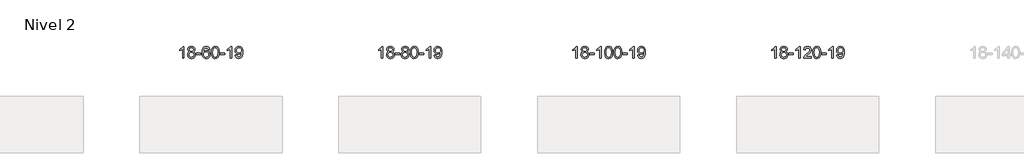
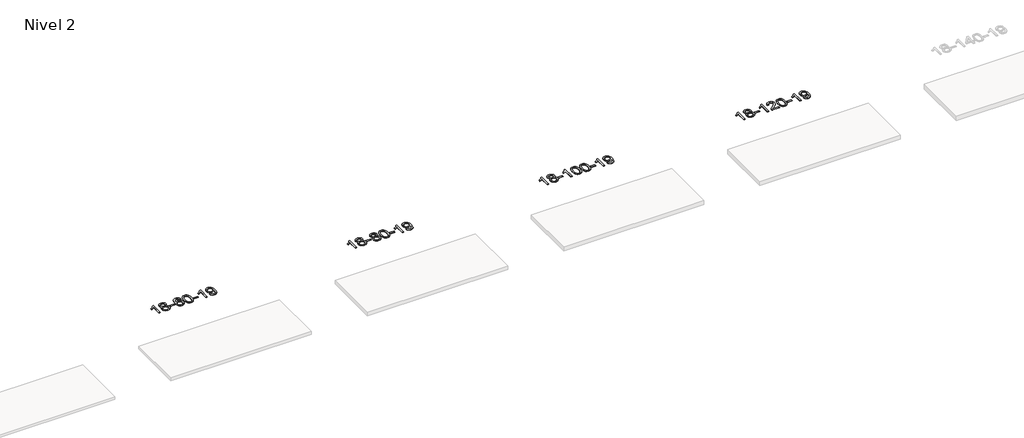
# One storey, part 45 of 51: 4 proxies.
"""IFC4 building model written with IfcOpenShell, lengths in millimetres."""

from ifc_helpers import new_model, si_unit, frame, origin, place, context, project, spatial, polyline, outline, extrude, element, save

model = new_model("IFC4")

# Units and contexts
model_context = context("Model", 3, world=origin())
ifc_project = project(units=[si_unit("LENGTHUNIT", "METRE", prefix="MILLI")], contexts=[model_context])

# Site, building, storey
site = spatial("IfcSite", under=ifc_project)
building = spatial("IfcBuilding", under=site)
storey = spatial("IfcBuildingStorey", under=building, Name="Nivel 2", Elevation=3000.0)

# Proxies
placement = place(None, origin())
element("IfcBuildingElementProxy", 1, Name="Texto de modelo 1", ObjectType="Texto de modelo 1", at=placement, inside=storey, context=model_context, shape_type="SweptSolid", body=[
    extrude(outline(polyline([(4824.6154698, -16247.1632381), (4774.3873148, -16247.1632381), (4774.3873148, -15934.0220838), (4753.418041, -15950.9814438), (4726.80791, -15967.9162783), (4673.9310046, -15993.2756105), (4673.9310046, -15945.7943077), (4713.3802172, -15924.3345246), (4747.5564546, -15898.8035142), (4774.4976794, -15871.6538229), (4792.2418543, -15845.3379975), (4824.6154698, -15845.3379975), (4824.6154698, -16247.1632381)])), frame((0.0, 0.0, 3000.0), z_axis=(0.0, 0.0, 1.0), x_axis=(1.0, 0.0, 0.0)), (0.0, 0.0, 1.0), 10.0),
    extrude(outline(polyline([(5017.0913297, -16025.8454298), (4990.1991559, -16012.601678), (4971.3268095, -15994.6490366), (4960.1799851, -15972.3553877), (4956.4643769, -15946.0886133), (4958.4877279, -15925.6037175), (4964.5577808, -15906.8233417), (4974.6745357, -15889.7474857), (4988.8379925, -15874.3761497), (5006.3675695, -15861.6719581), (5026.5826852, -15852.5975356), (5049.4833394, -15847.152882), (5075.0695321, -15845.3379975), (5100.7783522, -15847.1958016), (5123.8506847, -15852.7692138), (5144.2865295, -15862.0582342), (5162.0858867, -15875.0628627), (5176.506861, -15890.7346357), (5186.8075568, -15908.0250895), (5192.9879743, -15926.9342241), (5195.0481135, -15947.4620394), (5191.3815563, -15972.8826853), (5180.3818846, -15994.7961894), (5161.9264712, -16012.6384662), (5135.8926887, -16025.8454298), (5166.807039, -16041.7747202), (5189.3091544, -16065.2333288), (5203.0311528, -16095.0930841), (5207.6051523, -16130.2258146), (5205.3365466, -16155.2785785), (5198.5307297, -16178.2466777), (5187.1877015, -16199.1301123), (5171.3074621, -16217.9288823), (5151.7238772, -16233.4657652), (5129.2708128, -16244.5635387), (5103.9482688, -16251.2222028), (5075.7562452, -16253.4417575), (5047.5642216, -16251.2130058), (5022.2416776, -16244.5267505), (4999.7886132, -16233.3829917), (4980.2050283, -16217.7817295), (4964.3247889, -16198.8511351), (4952.9817607, -16177.7193802), (4946.1759438, -16154.3864646), (4943.9073381, -16128.8523885), (4948.6652786, -16092.3584946), (4962.9391, -16062.3393238), (4985.9930384, -16039.8249457), (5017.0913297, -16025.8454298)]), holes=[polyline([(5006.692532, -15947.5601413), (5011.1439041, -15969.4859082), (5024.4980205, -15986.9970911), (5046.3624738, -15998.4750094), (5076.3448564, -16002.3009821), (5105.6282632, -15998.4995349), (5127.1616227, -15987.095193), (5140.4053745, -15970.1726212), (5144.8199584, -15949.8164842), (5140.2582217, -15928.6877949), (5126.5730115, -15911.2134001), (5104.7453464, -15899.4779645), (5075.7562452, -15895.5661526), (5046.583203, -15899.3921254), (5024.7923261, -15910.8700436), (5011.2174805, -15927.6945135), (5006.692532, -15947.5601413)]), polyline([(4994.1354932, -16127.0865549), (4996.2324206, -16146.3022578), (5002.5232027, -16164.904824), (5014.136011, -16181.12842), (5032.199017, -16193.2072122), (5053.8304783, -16200.7120049), (5076.1486527, -16203.2136024), (5110.3371528, -16197.9528899), (5124.2308294, -16191.3769993), (5135.9907905, -16182.1707523), (5152.0304455, -16158.2706854), (5157.3769972, -16128.6561848), (5151.8587673, -16098.5389121), (5135.3040775, -16074.1115476), (5123.2252853, -16064.6692431), (5109.0618285, -16057.9247398), (5074.480921, -16052.5291372), (5040.7706675, -16057.8511634), (5027.0333406, -16064.5036962), (5015.3745471, -16073.817242), (4999.4452567, -16097.7786226), (4994.1354932, -16127.0865549)])]), frame((0.0, 0.0, 3000.0), z_axis=(0.0, 0.0, 1.0), x_axis=(1.0, 0.0, 0.0)), (0.0, 0.0, 1.0), 10.0),
    extrude(outline(polyline([(5238.9977492, -16127.8713698), (5238.9977492, -16077.6432148), (5395.9607338, -16077.6432148), (5395.9607338, -16127.8713698), (5238.9977492, -16127.8713698)])), frame((0.0, 0.0, 3000.0), z_axis=(0.0, 0.0, 1.0), x_axis=(1.0, 0.0, 0.0)), (0.0, 0.0, 1.0), 10.0),
    extrude(outline(polyline([(5697.3296643, -15952.0728271), (5647.1015092, -15958.3513465), (5639.0081053, -15933.4579981), (5628.0697473, -15916.4618499), (5605.2855891, -15900.7900769), (5577.7434904, -15895.5661526), (5554.3952464, -15898.6073104), (5532.4204286, -15907.7307839), (5513.5480822, -15926.9464868), (5498.1338266, -15953.3972023), (5487.7227661, -15990.8108012), (5483.8600052, -16042.9151544), (5504.0076758, -16019.4074949), (5528.1529974, -16002.8405424), (5554.9470694, -15993.0180931), (5583.0409911, -15989.7439434), (5607.17405, -15991.9818922), (5629.4431734, -15998.6957386), (5649.8483614, -16009.8854826), (5668.389614, -16025.5511242), (5683.7977382, -16044.7606958), (5694.8035412, -16066.5822294), (5701.407023, -16091.0157253), (5703.6081836, -16118.0611833), (5699.4633798, -16154.0277797), (5687.0289684, -16187.3701512), (5667.3350189, -16215.6480139), (5641.411601, -16236.4210839), (5610.435937, -16249.1865891), (5575.5852493, -16253.4417575), (5545.6427206, -16250.6213289), (5518.6003283, -16242.160043), (5494.4580723, -16228.0578999), (5473.2159528, -16208.3148994), (5455.8979079, -16182.0971759), (5443.5278758, -16148.5708634), (5436.1058565, -16107.735962), (5433.6318501, -16059.5924715), (5436.3787023, -16005.6180515), (5444.619259, -15959.5530943), (5458.3535202, -15921.3976), (5477.5814858, -15891.1515687), (5498.4220008, -15871.1081313), (5522.5857165, -15856.7913903), (5550.072633, -15848.2013457), (5580.88275, -15845.3379975), (5604.0163962, -15847.1099625), (5624.9550131, -15852.4258573), (5643.6986007, -15861.285682), (5660.2471591, -15873.6894366), (5674.1530986, -15889.2201882), (5684.9688292, -15907.4610038), (5692.6943511, -15928.4118834), (5697.3296643, -15952.0728271)]), holes=[polyline([(5483.8600052, -16117.2763684), (5486.7662729, -16139.5332291), (5495.4850762, -16160.7845457), (5509.0231337, -16179.0560181), (5526.3871638, -16192.3733463), (5547.3441748, -16200.5035384), (5571.6611747, -16203.2136024), (5604.8073425, -16197.5972707), (5618.7224789, -16190.5768559), (5630.8656505, -16180.7482753), (5640.7156909, -16168.5100676), (5647.751434, -16154.2607716), (5653.3800286, -16119.728915), (5647.8250104, -16086.5827472), (5640.8812378, -16072.9619164), (5631.1599561, -16061.3092542), (5618.9799963, -16051.9742485), (5604.6601897, -16045.3063874), (5569.6010355, -16039.9720985), (5536.5039187, -16045.3063874), (5508.8269299, -16061.3092542), (5497.9039004, -16072.8086322), (5490.1017364, -16085.9696106), (5485.420438, -16100.7921893), (5483.8600052, -16117.2763684)])]), frame((0.0, 0.0, 3000.0), z_axis=(0.0, 0.0, 1.0), x_axis=(1.0, 0.0, 0.0)), (0.0, 0.0, 1.0), 10.0),
    extrude(outline(polyline([(5747.5578193, -16049.4879794), (5751.248902, -15985.1699439), (5762.3221501, -15933.874931), (5780.6671989, -15894.8181259), (5792.5252619, -15879.5847456), (5806.1736839, -15867.2147135), (5821.6584502, -15857.6436503), (5839.0255461, -15850.8071765), (5879.4067264, -15845.3379975), (5910.3578649, -15848.5753591), (5938.0716419, -15858.2874438), (5961.2482076, -15874.0941068), (5978.5877123, -15895.6152035), (5991.6843113, -15922.6667929), (6002.13216, -15955.064934), (6008.9747651, -15996.2064038), (6011.2556335, -16049.4879794), (6007.601339, -16113.4381329), (5996.6384555, -16164.6105184), (5978.4037713, -16203.7041118), (5966.5732995, -16218.9834773), (5952.9340745, -16231.4178887), (5937.4309141, -16241.0533313), (5920.0086359, -16247.9357903), (5879.4067264, -16253.4417575), (5851.7420004, -16251.0505246), (5827.216534, -16243.8768256), (5805.8303274, -16231.9206608), (5787.5833804, -16215.18203), (5770.0721974, -16184.9237359), (5757.5642096, -16147.2219628), (5750.0594169, -16102.0767106), (5747.5578193, -16049.4879794)]), holes=[polyline([(5797.7859744, -16049.3898775), (5799.2575024, -16093.0544047), (5803.6720863, -16128.3986674), (5811.0297262, -16155.4226656), (5821.3304221, -16174.1263994), (5833.789359, -16186.8520507), (5847.621722, -16195.9418017), (5862.8275112, -16201.3956523), (5879.4067264, -16203.2136024), (5895.9859417, -16201.3895209), (5911.1917308, -16195.9172762), (5925.0240938, -16186.7968684), (5937.4830307, -16174.0282975), (5947.7837266, -16155.2939069), (5955.1413665, -16128.27604), (5959.5559504, -16092.9746969), (5961.0274784, -16049.3898775), (5959.6050014, -16006.881113), (5955.3375702, -15972.159184), (5948.225185, -15945.2240906), (5938.2678456, -15926.0758327), (5926.0173752, -15912.7278477), (5912.0255966, -15903.1935726), (5896.29251, -15897.4730076), (5878.8181152, -15895.5661526), (5862.3247391, -15897.2461471), (5847.3764674, -15902.2861304), (5833.9733, -15910.6861026), (5822.115237, -15922.4460637), (5811.4711846, -15943.2927101), (5803.8682901, -15971.3988946), (5799.3065533, -16006.764617), (5797.7859744, -16049.3898775)])]), frame((0.0, 0.0, 3000.0), z_axis=(0.0, 0.0, 1.0), x_axis=(1.0, 0.0, 0.0)), (0.0, 0.0, 1.0), 10.0),
    extrude(outline(polyline([(6042.6482304, -16127.8713698), (6042.6482304, -16077.6432148), (6199.611215, -16077.6432148), (6199.611215, -16127.8713698), (6042.6482304, -16127.8713698)])), frame((0.0, 0.0, 3000.0), z_axis=(0.0, 0.0, 1.0), x_axis=(1.0, 0.0, 0.0)), (0.0, 0.0, 1.0), 10.0),
    extrude(outline(polyline([(6431.9164322, -16247.1632381), (6381.6882771, -16247.1632381), (6381.6882771, -15934.0220838), (6360.7190034, -15950.9814438), (6334.1088724, -15967.9162783), (6281.231967, -15993.2756105), (6281.231967, -15945.7943077), (6320.6811796, -15924.3345246), (6354.857417, -15898.8035142), (6381.7986417, -15871.6538229), (6399.5428166, -15845.3379975), (6431.9164322, -15845.3379975), (6431.9164322, -16247.1632381)])), frame((0.0, 0.0, 3000.0), z_axis=(0.0, 0.0, 1.0), x_axis=(1.0, 0.0, 0.0)), (0.0, 0.0, 1.0), 10.0),
    extrude(outline(polyline([(6557.4868199, -16146.706928), (6607.714975, -16140.4284086), (6616.2988882, -16168.9392632), (6630.278404, -16188.3511698), (6649.3101659, -16199.4979943), (6673.0508173, -16203.2136024), (6694.3511849, -16200.8223695), (6713.7140405, -16193.6486706), (6729.8027465, -16182.4773207), (6741.2806647, -16168.0931346), (6757.7127272, -16124.4378045), (6763.1573807, -16096.0373145), (6764.9722652, -16066.1652965), (6764.6779596, -16056.35511), (6747.2771412, -16077.5941638), (6724.5052457, -16094.4186337), (6698.0054793, -16105.3815172), (6669.4210483, -16109.0358117), (6645.5608352, -16106.8039942), (6623.6197399, -16100.1085419), (6603.5977623, -16088.9494547), (6585.4949025, -16073.3267327), (6570.4945141, -16054.0558475), (6559.779951, -16031.952271), (6553.3512131, -16007.0160031), (6551.2083005, -15979.2470438), (6553.4554464, -15950.5522482), (6560.1968839, -15924.8005085), (6571.4326132, -15901.9918248), (6587.1626342, -15882.1261971), (6606.2771695, -15866.0313598), (6627.6664419, -15854.5350474), (6651.3304512, -15847.63726), (6677.2691975, -15845.3379975), (6714.7318474, -15850.5864473), (6748.8345083, -15866.3317967), (6777.3576257, -15891.7892308), (6798.0816448, -15926.1739346), (6810.6999972, -15973.7042884), (6814.9061147, -16038.5986723), (6810.7122599, -16107.4048682), (6798.1306957, -16160.5883419), (6777.2717866, -16200.5525893), (6763.7797144, -16216.4788141), (6748.2458971, -16229.7011061), (6730.9830345, -16240.0876411), (6712.3038262, -16247.5065947), (6670.6963726, -16253.4417575), (6648.1390749, -16251.6912524), (6627.752281, -16246.4397369), (6609.5359909, -16237.6872111), (6593.4902045, -16225.433675), (6580.0195921, -16210.0102223), (6569.5288239, -16191.7479469), (6562.0178998, -16170.6468488), (6557.4868199, -16146.706928)]), holes=[polyline([(6764.6779596, -15978.0698214), (6759.2578315, -15944.0284741), (6752.4826715, -15929.9508564), (6742.9974473, -15917.8352761), (6731.2681431, -15908.0925345), (6717.7607425, -15901.1334335), (6685.4116524, -15895.5661526), (6667.8023675, -15897.0652717), (6651.8608144, -15901.5626291), (6637.586993, -15909.0582248), (6624.9809033, -15919.5520587), (6614.6802074, -15932.4309942), (6607.3225675, -15947.0818947), (6602.9079836, -15963.5047601), (6601.4364556, -15981.6995904), (6607.0037365, -16012.7365681), (6613.9628375, -16025.8546269), (6623.705579, -16037.372399), (6635.8272908, -16046.7503242), (6649.9233026, -16053.4488422), (6684.0382263, -16058.8076566), (6716.129799, -16053.4488422), (6741.9673778, -16037.372399), (6751.9032573, -16025.6277663), (6759.0003141, -16011.8291258), (6764.6779596, -15978.0698214)])]), frame((0.0, 0.0, 3000.0), z_axis=(0.0, 0.0, 1.0), x_axis=(1.0, 0.0, 0.0)), (0.0, 0.0, 1.0), 10.0),
])
element("IfcBuildingElementProxy", 2, Name="Texto de modelo 1", ObjectType="Texto de modelo 1", at=placement, inside=storey, context=model_context, shape_type="SweptSolid", body=[
    extrude(outline(polyline([(11539.5560047, -16247.1632381), (11489.3278496, -16247.1632381), (11489.3278496, -15934.0220838), (11468.3585759, -15950.9814438), (11441.7484449, -15967.9162783), (11388.8715394, -15993.2756105), (11388.8715394, -15945.7943077), (11428.320752, -15924.3345246), (11462.4969894, -15898.8035142), (11489.4382142, -15871.6538229), (11507.1823891, -15845.3379975), (11539.5560047, -15845.3379975), (11539.5560047, -16247.1632381)])), frame((0.0, 0.0, 3000.0), z_axis=(0.0, 0.0, 1.0), x_axis=(1.0, 0.0, 0.0)), (0.0, 0.0, 1.0), 10.0),
    extrude(outline(polyline([(11732.0318645, -16025.8454298), (11705.1396907, -16012.601678), (11686.2673443, -15994.6490366), (11675.1205199, -15972.3553877), (11671.4049117, -15946.0886133), (11673.4282627, -15925.6037175), (11679.4983156, -15906.8233417), (11689.6150705, -15889.7474857), (11703.7785273, -15874.3761497), (11721.3081044, -15861.6719581), (11741.52322, -15852.5975356), (11764.4238742, -15847.152882), (11790.010067, -15845.3379975), (11815.7188871, -15847.1958016), (11838.7912195, -15852.7692138), (11859.2270644, -15862.0582342), (11877.0264216, -15875.0628627), (11891.4473958, -15890.7346357), (11901.7480916, -15908.0250895), (11907.9285092, -15926.9342241), (11909.9886483, -15947.4620394), (11906.3220911, -15972.8826853), (11895.3224195, -15994.7961894), (11876.867006, -16012.6384662), (11850.8332235, -16025.8454298), (11881.7475738, -16041.7747202), (11904.2496892, -16065.2333288), (11917.9716876, -16095.0930841), (11922.5456871, -16130.2258146), (11920.2770815, -16155.2785785), (11913.4712646, -16178.2466777), (11902.1282364, -16199.1301123), (11886.2479969, -16217.9288823), (11866.664412, -16233.4657652), (11844.2113476, -16244.5635387), (11818.8888036, -16251.2222028), (11790.69678, -16253.4417575), (11762.5047565, -16251.2130058), (11737.1822125, -16244.5267505), (11714.729148, -16233.3829917), (11695.1455631, -16217.7817295), (11679.2653237, -16198.8511351), (11667.9222955, -16177.7193802), (11661.1164786, -16154.3864646), (11658.847873, -16128.8523885), (11663.6058134, -16092.3584946), (11677.8796348, -16062.3393238), (11700.9335732, -16039.8249457), (11732.0318645, -16025.8454298)]), holes=[polyline([(11721.6330668, -15947.5601413), (11726.0844389, -15969.4859082), (11739.4385554, -15986.9970911), (11761.3030086, -15998.4750094), (11791.2853912, -16002.3009821), (11820.568798, -15998.4995349), (11842.1021575, -15987.095193), (11855.3459093, -15970.1726212), (11859.7604933, -15949.8164842), (11855.1987565, -15928.6877949), (11841.5135463, -15911.2134001), (11819.6858812, -15899.4779645), (11790.69678, -15895.5661526), (11761.5237378, -15899.3921254), (11739.732861, -15910.8700436), (11726.1580153, -15927.6945135), (11721.6330668, -15947.5601413)]), polyline([(11709.076028, -16127.0865549), (11711.1729554, -16146.3022578), (11717.4637375, -16164.904824), (11729.0765458, -16181.12842), (11747.1395518, -16193.2072122), (11768.7710131, -16200.7120049), (11791.0891875, -16203.2136024), (11825.2776876, -16197.9528899), (11839.1713643, -16191.3769993), (11850.9313254, -16182.1707523), (11866.9709804, -16158.2706854), (11872.317532, -16128.6561848), (11866.7993021, -16098.5389121), (11850.2446123, -16074.1115476), (11838.1658201, -16064.6692431), (11824.0023633, -16057.9247398), (11789.4214558, -16052.5291372), (11755.7112023, -16057.8511634), (11741.9738755, -16064.5036962), (11730.3150819, -16073.817242), (11714.3857915, -16097.7786226), (11709.076028, -16127.0865549)])]), frame((0.0, 0.0, 3000.0), z_axis=(0.0, 0.0, 1.0), x_axis=(1.0, 0.0, 0.0)), (0.0, 0.0, 1.0), 10.0),
    extrude(outline(polyline([(11953.938284, -16127.8713698), (11953.938284, -16077.6432148), (12110.9012686, -16077.6432148), (12110.9012686, -16127.8713698), (11953.938284, -16127.8713698)])), frame((0.0, 0.0, 3000.0), z_axis=(0.0, 0.0, 1.0), x_axis=(1.0, 0.0, 0.0)), (0.0, 0.0, 1.0), 10.0),
    extrude(outline(polyline([(12228.0348959, -16025.8454298), (12201.142722, -16012.601678), (12182.2703757, -15994.6490366), (12171.1235512, -15972.3553877), (12167.4079431, -15946.0886133), (12169.4312941, -15925.6037175), (12175.501347, -15906.8233417), (12185.6181019, -15889.7474857), (12199.7815587, -15874.3761497), (12217.3111357, -15861.6719581), (12237.5262514, -15852.5975356), (12260.4269056, -15847.152882), (12286.0130983, -15845.3379975), (12311.7219184, -15847.1958016), (12334.7942509, -15852.7692138), (12355.2300957, -15862.0582342), (12373.0294529, -15875.0628627), (12387.4504271, -15890.7346357), (12397.751123, -15908.0250895), (12403.9315405, -15926.9342241), (12405.9916797, -15947.4620394), (12402.3251225, -15972.8826853), (12391.3254508, -15994.7961894), (12372.8700374, -16012.6384662), (12346.8362549, -16025.8454298), (12377.7506052, -16041.7747202), (12400.2527206, -16065.2333288), (12413.974719, -16095.0930841), (12418.5487185, -16130.2258146), (12416.2801128, -16155.2785785), (12409.4742959, -16178.2466777), (12398.1312677, -16199.1301123), (12382.2510283, -16217.9288823), (12362.6674434, -16233.4657652), (12340.214379, -16244.5635387), (12314.891835, -16251.2222028), (12286.6998114, -16253.4417575), (12258.5077878, -16251.2130058), (12233.1852438, -16244.5267505), (12210.7321794, -16233.3829917), (12191.1485945, -16217.7817295), (12175.2683551, -16198.8511351), (12163.9253269, -16177.7193802), (12157.11951, -16154.3864646), (12154.8509043, -16128.8523885), (12159.6088448, -16092.3584946), (12173.8826662, -16062.3393238), (12196.9366046, -16039.8249457), (12228.0348959, -16025.8454298)]), holes=[polyline([(12217.6360982, -15947.5601413), (12222.0874703, -15969.4859082), (12235.4415867, -15986.9970911), (12257.30604, -15998.4750094), (12287.2884226, -16002.3009821), (12316.5718294, -15998.4995349), (12338.1051889, -15987.095193), (12351.3489407, -15970.1726212), (12355.7635246, -15949.8164842), (12351.2017879, -15928.6877949), (12337.5165777, -15911.2134001), (12315.6889126, -15899.4779645), (12286.6998114, -15895.5661526), (12257.5267692, -15899.3921254), (12235.7358923, -15910.8700436), (12222.1610467, -15927.6945135), (12217.6360982, -15947.5601413)]), polyline([(12205.0790594, -16127.0865549), (12207.1759868, -16146.3022578), (12213.4667689, -16164.904824), (12225.0795772, -16181.12842), (12243.1425832, -16193.2072122), (12264.7740445, -16200.7120049), (12287.0922189, -16203.2136024), (12321.2807189, -16197.9528899), (12335.1743956, -16191.3769993), (12346.9343567, -16182.1707523), (12362.9740117, -16158.2706854), (12368.3205634, -16128.6561848), (12362.8023335, -16098.5389121), (12346.2476437, -16074.1115476), (12334.1688515, -16064.6692431), (12320.0053947, -16057.9247398), (12285.4244871, -16052.5291372), (12251.7142337, -16057.8511634), (12237.9769068, -16064.5036962), (12226.3181133, -16073.817242), (12210.3888229, -16097.7786226), (12205.0790594, -16127.0865549)])]), frame((0.0, 0.0, 3000.0), z_axis=(0.0, 0.0, 1.0), x_axis=(1.0, 0.0, 0.0)), (0.0, 0.0, 1.0), 10.0),
    extrude(outline(polyline([(12462.4983542, -16049.4879794), (12466.1894368, -15985.1699439), (12477.2626849, -15933.874931), (12495.6077337, -15894.8181259), (12507.4657967, -15879.5847456), (12521.1142187, -15867.2147135), (12536.598985, -15857.6436503), (12553.9660809, -15850.8071765), (12594.3472612, -15845.3379975), (12625.2983998, -15848.5753591), (12653.0121767, -15858.2874438), (12676.1887424, -15874.0941068), (12693.5282471, -15895.6152035), (12706.6248462, -15922.6667929), (12717.0726948, -15955.064934), (12723.9152999, -15996.2064038), (12726.1961683, -16049.4879794), (12722.5418738, -16113.4381329), (12711.5789904, -16164.6105184), (12693.3443061, -16203.7041118), (12681.5138343, -16218.9834773), (12667.8746093, -16231.4178887), (12652.3714489, -16241.0533313), (12634.9491708, -16247.9357903), (12594.3472612, -16253.4417575), (12566.6825352, -16251.0505246), (12542.1570688, -16243.8768256), (12520.7708622, -16231.9206608), (12502.5239152, -16215.18203), (12485.0127323, -16184.9237359), (12472.5047444, -16147.2219628), (12464.9999517, -16102.0767106), (12462.4983542, -16049.4879794)]), holes=[polyline([(12512.7265092, -16049.3898775), (12514.1980372, -16093.0544047), (12518.6126212, -16128.3986674), (12525.9702611, -16155.4226656), (12536.2709569, -16174.1263994), (12548.7298938, -16186.8520507), (12562.5622568, -16195.9418017), (12577.768046, -16201.3956523), (12594.3472612, -16203.2136024), (12610.9264765, -16201.3895209), (12626.1322656, -16195.9172762), (12639.9646286, -16186.7968684), (12652.4235655, -16174.0282975), (12662.7242614, -16155.2939069), (12670.0819013, -16128.27604), (12674.4964852, -16092.9746969), (12675.9680132, -16049.3898775), (12674.5455362, -16006.881113), (12670.278105, -15972.159184), (12663.1657198, -15945.2240906), (12653.2083805, -15926.0758327), (12640.95791, -15912.7278477), (12626.9661315, -15903.1935726), (12611.2330448, -15897.4730076), (12593.75865, -15895.5661526), (12577.2652739, -15897.2461471), (12562.3170022, -15902.2861304), (12548.9138348, -15910.6861026), (12537.0557718, -15922.4460637), (12526.4117194, -15943.2927101), (12518.8088249, -15971.3988946), (12514.2470881, -16006.764617), (12512.7265092, -16049.3898775)])]), frame((0.0, 0.0, 3000.0), z_axis=(0.0, 0.0, 1.0), x_axis=(1.0, 0.0, 0.0)), (0.0, 0.0, 1.0), 10.0),
    extrude(outline(polyline([(12757.5887652, -16127.8713698), (12757.5887652, -16077.6432148), (12914.5517498, -16077.6432148), (12914.5517498, -16127.8713698), (12757.5887652, -16127.8713698)])), frame((0.0, 0.0, 3000.0), z_axis=(0.0, 0.0, 1.0), x_axis=(1.0, 0.0, 0.0)), (0.0, 0.0, 1.0), 10.0),
    extrude(outline(polyline([(13146.856967, -16247.1632381), (13096.628812, -16247.1632381), (13096.628812, -15934.0220838), (13075.6595382, -15950.9814438), (13049.0494073, -15967.9162783), (12996.1725018, -15993.2756105), (12996.1725018, -15945.7943077), (13035.6217144, -15924.3345246), (13069.7979518, -15898.8035142), (13096.7391766, -15871.6538229), (13114.4833515, -15845.3379975), (13146.856967, -15845.3379975), (13146.856967, -16247.1632381)])), frame((0.0, 0.0, 3000.0), z_axis=(0.0, 0.0, 1.0), x_axis=(1.0, 0.0, 0.0)), (0.0, 0.0, 1.0), 10.0),
    extrude(outline(polyline([(13272.4273547, -16146.706928), (13322.6555098, -16140.4284086), (13331.239423, -16168.9392632), (13345.2189388, -16188.3511698), (13364.2507007, -16199.4979943), (13387.9913522, -16203.2136024), (13409.2917197, -16200.8223695), (13428.6545754, -16193.6486706), (13444.7432813, -16182.4773207), (13456.2211995, -16168.0931346), (13472.653262, -16124.4378045), (13478.0979155, -16096.0373145), (13479.9128, -16066.1652965), (13479.6184944, -16056.35511), (13462.217676, -16077.5941638), (13439.4457805, -16094.4186337), (13412.9460142, -16105.3815172), (13384.3615831, -16109.0358117), (13360.5013701, -16106.8039942), (13338.5602747, -16100.1085419), (13318.5382971, -16088.9494547), (13300.4354373, -16073.3267327), (13285.4350489, -16054.0558475), (13274.7204858, -16031.952271), (13268.291748, -16007.0160031), (13266.1488354, -15979.2470438), (13268.3959812, -15950.5522482), (13275.1374188, -15924.8005085), (13286.373148, -15901.9918248), (13302.103169, -15882.1261971), (13321.2177043, -15866.0313598), (13342.6069767, -15854.5350474), (13366.270986, -15847.63726), (13392.2097324, -15845.3379975), (13429.6723822, -15850.5864473), (13463.7750432, -15866.3317967), (13492.2981605, -15891.7892308), (13513.0221796, -15926.1739346), (13525.640532, -15973.7042884), (13529.8466495, -16038.5986723), (13525.6527947, -16107.4048682), (13513.0712305, -16160.5883419), (13492.2123214, -16200.5525893), (13478.7202492, -16216.4788141), (13463.186432, -16229.7011061), (13445.9235693, -16240.0876411), (13427.244361, -16247.5065947), (13385.6369074, -16253.4417575), (13363.0796097, -16251.6912524), (13342.6928158, -16246.4397369), (13324.4765257, -16237.6872111), (13308.4307393, -16225.433675), (13294.9601269, -16210.0102223), (13284.4693587, -16191.7479469), (13276.9584346, -16170.6468488), (13272.4273547, -16146.706928)]), holes=[polyline([(13479.6184944, -15978.0698214), (13474.1983664, -15944.0284741), (13467.4232063, -15929.9508564), (13457.9379822, -15917.8352761), (13446.2086779, -15908.0925345), (13432.7012773, -15901.1334335), (13400.3521872, -15895.5661526), (13382.7429024, -15897.0652717), (13366.8013492, -15901.5626291), (13352.5275278, -15909.0582248), (13339.9214381, -15919.5520587), (13329.6207423, -15932.4309942), (13322.2631023, -15947.0818947), (13317.8485184, -15963.5047601), (13316.3769904, -15981.6995904), (13321.9442713, -16012.7365681), (13328.9033724, -16025.8546269), (13338.6461139, -16037.372399), (13350.7678256, -16046.7503242), (13364.8638374, -16053.4488422), (13398.9787611, -16058.8076566), (13431.0703338, -16053.4488422), (13456.9079126, -16037.372399), (13466.8437921, -16025.6277663), (13473.940849, -16011.8291258), (13479.6184944, -15978.0698214)])]), frame((0.0, 0.0, 3000.0), z_axis=(0.0, 0.0, 1.0), x_axis=(1.0, 0.0, 0.0)), (0.0, 0.0, 1.0), 10.0),
])
element("IfcBuildingElementProxy", 3, Name="Texto de modelo 1", ObjectType="Texto de modelo 1", at=placement, inside=storey, context=model_context, shape_type="SweptSolid", body=[
    extrude(outline(polyline([(18100.6728146, -16247.1632381), (18050.4446595, -16247.1632381), (18050.4446595, -15934.0220838), (18029.4753858, -15950.9814438), (18002.8652548, -15967.9162783), (17949.9883493, -15993.2756105), (17949.9883493, -15945.7943077), (17989.437562, -15924.3345246), (18023.6137993, -15898.8035142), (18050.5550241, -15871.6538229), (18068.299199, -15845.3379975), (18100.6728146, -15845.3379975), (18100.6728146, -16247.1632381)])), frame((0.0, 0.0, 3000.0), z_axis=(0.0, 0.0, 1.0), x_axis=(1.0, 0.0, 0.0)), (0.0, 0.0, 1.0), 10.0),
    extrude(outline(polyline([(18293.1486744, -16025.8454298), (18266.2565006, -16012.601678), (18247.3841542, -15994.6490366), (18236.2373298, -15972.3553877), (18232.5217216, -15946.0886133), (18234.5450726, -15925.6037175), (18240.6151255, -15906.8233417), (18250.7318804, -15889.7474857), (18264.8953372, -15874.3761497), (18282.4249143, -15861.6719581), (18302.6400299, -15852.5975356), (18325.5406841, -15847.152882), (18351.1268769, -15845.3379975), (18376.835697, -15847.1958016), (18399.9080294, -15852.7692138), (18420.3438743, -15862.0582342), (18438.1432315, -15875.0628627), (18452.5642057, -15890.7346357), (18462.8649015, -15908.0250895), (18469.0453191, -15926.9342241), (18471.1054582, -15947.4620394), (18467.438901, -15972.8826853), (18456.4392294, -15994.7961894), (18437.9838159, -16012.6384662), (18411.9500334, -16025.8454298), (18442.8643837, -16041.7747202), (18465.3664991, -16065.2333288), (18479.0884975, -16095.0930841), (18483.662497, -16130.2258146), (18481.3938914, -16155.2785785), (18474.5880745, -16178.2466777), (18463.2450463, -16199.1301123), (18447.3648068, -16217.9288823), (18427.7812219, -16233.4657652), (18405.3281575, -16244.5635387), (18380.0056135, -16251.2222028), (18351.8135899, -16253.4417575), (18323.6215664, -16251.2130058), (18298.2990224, -16244.5267505), (18275.8459579, -16233.3829917), (18256.2623731, -16217.7817295), (18240.3821336, -16198.8511351), (18229.0391054, -16177.7193802), (18222.2332885, -16154.3864646), (18219.9646829, -16128.8523885), (18224.7226233, -16092.3584946), (18238.9964447, -16062.3393238), (18262.0503831, -16039.8249457), (18293.1486744, -16025.8454298)]), holes=[polyline([(18282.7498767, -15947.5601413), (18287.2012489, -15969.4859082), (18300.5553653, -15986.9970911), (18322.4198185, -15998.4750094), (18352.4022011, -16002.3009821), (18381.6856079, -15998.4995349), (18403.2189674, -15987.095193), (18416.4627192, -15970.1726212), (18420.8773032, -15949.8164842), (18416.3155664, -15928.6877949), (18402.6303562, -15911.2134001), (18380.8026912, -15899.4779645), (18351.8135899, -15895.5661526), (18322.6405477, -15899.3921254), (18300.8496709, -15910.8700436), (18287.2748252, -15927.6945135), (18282.7498767, -15947.5601413)]), polyline([(18270.1928379, -16127.0865549), (18272.2897653, -16146.3022578), (18278.5805474, -16164.904824), (18290.1933557, -16181.12842), (18308.2563617, -16193.2072122), (18329.887823, -16200.7120049), (18352.2059974, -16203.2136024), (18386.3944975, -16197.9528899), (18400.2881742, -16191.3769993), (18412.0481353, -16182.1707523), (18428.0877903, -16158.2706854), (18433.4343419, -16128.6561848), (18427.916112, -16098.5389121), (18411.3614222, -16074.1115476), (18399.28263, -16064.6692431), (18385.1191732, -16057.9247398), (18350.5382657, -16052.5291372), (18316.8280122, -16057.8511634), (18303.0906854, -16064.5036962), (18291.4318918, -16073.817242), (18275.5026014, -16097.7786226), (18270.1928379, -16127.0865549)])]), frame((0.0, 0.0, 3000.0), z_axis=(0.0, 0.0, 1.0), x_axis=(1.0, 0.0, 0.0)), (0.0, 0.0, 1.0), 10.0),
    extrude(outline(polyline([(18515.0550939, -16127.8713698), (18515.0550939, -16077.6432148), (18672.0180785, -16077.6432148), (18672.0180785, -16127.8713698), (18515.0550939, -16127.8713698)])), frame((0.0, 0.0, 3000.0), z_axis=(0.0, 0.0, 1.0), x_axis=(1.0, 0.0, 0.0)), (0.0, 0.0, 1.0), 10.0),
    extrude(outline(polyline([(18904.3232958, -16247.1632381), (18854.0951407, -16247.1632381), (18854.0951407, -15934.0220838), (18833.125867, -15950.9814438), (18806.515736, -15967.9162783), (18753.6388305, -15993.2756105), (18753.6388305, -15945.7943077), (18793.0880432, -15924.3345246), (18827.2642805, -15898.8035142), (18854.2055053, -15871.6538229), (18871.9496802, -15845.3379975), (18904.3232958, -15845.3379975), (18904.3232958, -16247.1632381)])), frame((0.0, 0.0, 3000.0), z_axis=(0.0, 0.0, 1.0), x_axis=(1.0, 0.0, 0.0)), (0.0, 0.0, 1.0), 10.0),
    extrude(outline(polyline([(19023.6151641, -16049.4879794), (19027.3062467, -15985.1699439), (19038.3794948, -15933.874931), (19056.7245436, -15894.8181259), (19068.5826066, -15879.5847456), (19082.2310286, -15867.2147135), (19097.7157949, -15857.6436503), (19115.0828908, -15850.8071765), (19155.4640711, -15845.3379975), (19186.4152097, -15848.5753591), (19214.1289866, -15858.2874438), (19237.3055523, -15874.0941068), (19254.645057, -15895.6152035), (19267.7416561, -15922.6667929), (19278.1895047, -15955.064934), (19285.0321098, -15996.2064038), (19287.3129782, -16049.4879794), (19283.6586837, -16113.4381329), (19272.6958003, -16164.6105184), (19254.461116, -16203.7041118), (19242.6306442, -16218.9834773), (19228.9914192, -16231.4178887), (19213.4882588, -16241.0533313), (19196.0659807, -16247.9357903), (19155.4640711, -16253.4417575), (19127.7993451, -16251.0505246), (19103.2738788, -16243.8768256), (19081.8876721, -16231.9206608), (19063.6407251, -16215.18203), (19046.1295422, -16184.9237359), (19033.6215543, -16147.2219628), (19026.1167616, -16102.0767106), (19023.6151641, -16049.4879794)]), holes=[polyline([(19073.8433191, -16049.3898775), (19075.3148471, -16093.0544047), (19079.7294311, -16128.3986674), (19087.087071, -16155.4226656), (19097.3877668, -16174.1263994), (19109.8467037, -16186.8520507), (19123.6790668, -16195.9418017), (19138.8848559, -16201.3956523), (19155.4640711, -16203.2136024), (19172.0432864, -16201.3895209), (19187.2490755, -16195.9172762), (19201.0814385, -16186.7968684), (19213.5403754, -16174.0282975), (19223.8410713, -16155.2939069), (19231.1987112, -16128.27604), (19235.6132951, -16092.9746969), (19237.0848231, -16049.3898775), (19235.6623461, -16006.881113), (19231.3949149, -15972.159184), (19224.2825297, -15945.2240906), (19214.3251904, -15926.0758327), (19202.0747199, -15912.7278477), (19188.0829414, -15903.1935726), (19172.3498547, -15897.4730076), (19154.8754599, -15895.5661526), (19138.3820838, -15897.2461471), (19123.4338121, -15902.2861304), (19110.0306447, -15910.6861026), (19098.1725818, -15922.4460637), (19087.5285294, -15943.2927101), (19079.9256348, -15971.3988946), (19075.3638981, -16006.764617), (19073.8433191, -16049.3898775)])]), frame((0.0, 0.0, 3000.0), z_axis=(0.0, 0.0, 1.0), x_axis=(1.0, 0.0, 0.0)), (0.0, 0.0, 1.0), 10.0),
    extrude(outline(polyline([(19331.2626139, -16049.4879794), (19334.9536966, -15985.1699439), (19346.0269446, -15933.874931), (19364.3719935, -15894.8181259), (19376.2300564, -15879.5847456), (19389.8784785, -15867.2147135), (19405.3632448, -15857.6436503), (19422.7303406, -15850.8071765), (19463.111521, -15845.3379975), (19494.0626595, -15848.5753591), (19521.7764365, -15858.2874438), (19544.9530022, -15874.0941068), (19562.2925069, -15895.6152035), (19575.3891059, -15922.6667929), (19585.8369546, -15955.064934), (19592.6795597, -15996.2064038), (19594.960428, -16049.4879794), (19591.3061336, -16113.4381329), (19580.3432501, -16164.6105184), (19562.1085659, -16203.7041118), (19550.278094, -16218.9834773), (19536.6388691, -16231.4178887), (19521.1357087, -16241.0533313), (19503.7134305, -16247.9357903), (19463.111521, -16253.4417575), (19435.4467949, -16251.0505246), (19410.9213286, -16243.8768256), (19389.5351219, -16231.9206608), (19371.288175, -16215.18203), (19353.776992, -16184.9237359), (19341.2690042, -16147.2219628), (19333.7642115, -16102.0767106), (19331.2626139, -16049.4879794)]), holes=[polyline([(19381.490769, -16049.3898775), (19382.962297, -16093.0544047), (19387.3768809, -16128.3986674), (19394.7345208, -16155.4226656), (19405.0352167, -16174.1263994), (19417.4941536, -16186.8520507), (19431.3265166, -16195.9418017), (19446.5323057, -16201.3956523), (19463.111521, -16203.2136024), (19479.6907362, -16201.3895209), (19494.8965254, -16195.9172762), (19508.7288884, -16186.7968684), (19521.1878253, -16174.0282975), (19531.4885211, -16155.2939069), (19538.846161, -16128.27604), (19543.260745, -16092.9746969), (19544.732273, -16049.3898775), (19543.3097959, -16006.881113), (19539.0423648, -15972.159184), (19531.9299795, -15945.2240906), (19521.9726402, -15926.0758327), (19509.7221698, -15912.7278477), (19495.7303912, -15903.1935726), (19479.9973045, -15897.4730076), (19462.5229098, -15895.5661526), (19446.0295337, -15897.2461471), (19431.0812619, -15902.2861304), (19417.6780946, -15910.6861026), (19405.8200316, -15922.4460637), (19395.1759792, -15943.2927101), (19387.5730846, -15971.3988946), (19383.0113479, -16006.764617), (19381.490769, -16049.3898775)])]), frame((0.0, 0.0, 3000.0), z_axis=(0.0, 0.0, 1.0), x_axis=(1.0, 0.0, 0.0)), (0.0, 0.0, 1.0), 10.0),
    extrude(outline(polyline([(19626.353025, -16127.8713698), (19626.353025, -16077.6432148), (19783.3160096, -16077.6432148), (19783.3160096, -16127.8713698), (19626.353025, -16127.8713698)])), frame((0.0, 0.0, 3000.0), z_axis=(0.0, 0.0, 1.0), x_axis=(1.0, 0.0, 0.0)), (0.0, 0.0, 1.0), 10.0),
    extrude(outline(polyline([(20015.6212268, -16247.1632381), (19965.3930717, -16247.1632381), (19965.3930717, -15934.0220838), (19944.423798, -15950.9814438), (19917.813667, -15967.9162783), (19864.9367616, -15993.2756105), (19864.9367616, -15945.7943077), (19904.3859742, -15924.3345246), (19938.5622115, -15898.8035142), (19965.5034363, -15871.6538229), (19983.2476112, -15845.3379975), (20015.6212268, -15845.3379975), (20015.6212268, -16247.1632381)])), frame((0.0, 0.0, 3000.0), z_axis=(0.0, 0.0, 1.0), x_axis=(1.0, 0.0, 0.0)), (0.0, 0.0, 1.0), 10.0),
    extrude(outline(polyline([(20141.1916145, -16146.706928), (20191.4197696, -16140.4284086), (20200.0036828, -16168.9392632), (20213.9831986, -16188.3511698), (20233.0149605, -16199.4979943), (20256.7556119, -16203.2136024), (20278.0559794, -16200.8223695), (20297.4188351, -16193.6486706), (20313.507541, -16182.4773207), (20324.9854593, -16168.0931346), (20341.4175217, -16124.4378045), (20346.8621752, -16096.0373145), (20348.6770598, -16066.1652965), (20348.3827542, -16056.35511), (20330.9819358, -16077.5941638), (20308.2100403, -16094.4186337), (20281.7102739, -16105.3815172), (20253.1258429, -16109.0358117), (20229.2656298, -16106.8039942), (20207.3245345, -16100.1085419), (20187.3025569, -16088.9494547), (20169.199697, -16073.3267327), (20154.1993087, -16054.0558475), (20143.4847456, -16031.952271), (20137.0560077, -16007.0160031), (20134.9130951, -15979.2470438), (20137.1602409, -15950.5522482), (20143.9016785, -15924.8005085), (20155.1374078, -15901.9918248), (20170.8674288, -15882.1261971), (20189.9819641, -15866.0313598), (20211.3712364, -15854.5350474), (20235.0352458, -15847.63726), (20260.9739921, -15845.3379975), (20298.4366419, -15850.5864473), (20332.5393029, -15866.3317967), (20361.0624203, -15891.7892308), (20381.7864393, -15926.1739346), (20394.4047918, -15973.7042884), (20398.6109092, -16038.5986723), (20394.4170545, -16107.4048682), (20381.8354903, -16160.5883419), (20360.9765811, -16200.5525893), (20347.484509, -16216.4788141), (20331.9506917, -16229.7011061), (20314.6878291, -16240.0876411), (20296.0086208, -16247.5065947), (20254.4011671, -16253.4417575), (20231.8438695, -16251.6912524), (20211.4570756, -16246.4397369), (20193.2407854, -16237.6872111), (20177.1949991, -16225.433675), (20163.7243867, -16210.0102223), (20153.2336185, -16191.7479469), (20145.7226944, -16170.6468488), (20141.1916145, -16146.706928)]), holes=[polyline([(20348.3827542, -15978.0698214), (20342.9626261, -15944.0284741), (20336.187466, -15929.9508564), (20326.7022419, -15917.8352761), (20314.9729376, -15908.0925345), (20301.465537, -15901.1334335), (20269.1164469, -15895.5661526), (20251.5071621, -15897.0652717), (20235.565609, -15901.5626291), (20221.2917876, -15909.0582248), (20208.6856979, -15919.5520587), (20198.385002, -15932.4309942), (20191.0273621, -15947.0818947), (20186.6127781, -15963.5047601), (20185.1412502, -15981.6995904), (20190.708531, -16012.7365681), (20197.6676321, -16025.8546269), (20207.4103736, -16037.372399), (20219.5320853, -16046.7503242), (20233.6280971, -16053.4488422), (20267.7430208, -16058.8076566), (20299.8345935, -16053.4488422), (20325.6721723, -16037.372399), (20335.6080519, -16025.6277663), (20342.7051087, -16011.8291258), (20348.3827542, -15978.0698214)])]), frame((0.0, 0.0, 3000.0), z_axis=(0.0, 0.0, 1.0), x_axis=(1.0, 0.0, 0.0)), (0.0, 0.0, 1.0), 10.0),
])
element("IfcBuildingElementProxy", 4, Name="Texto de modelo 1", ObjectType="Texto de modelo 1", at=placement, inside=storey, context=model_context, shape_type="SweptSolid", body=[
    extrude(outline(polyline([(24815.6133494, -16247.1632381), (24765.3851943, -16247.1632381), (24765.3851943, -15934.0220838), (24744.4159206, -15950.9814438), (24717.8057896, -15967.9162783), (24664.9288842, -15993.2756105), (24664.9288842, -15945.7943077), (24704.3780968, -15924.3345246), (24738.5543341, -15898.8035142), (24765.4955589, -15871.6538229), (24783.2397338, -15845.3379975), (24815.6133494, -15845.3379975), (24815.6133494, -16247.1632381)])), frame((0.0, 0.0, 3000.0), z_axis=(0.0, 0.0, 1.0), x_axis=(1.0, 0.0, 0.0)), (0.0, 0.0, 1.0), 10.0),
    extrude(outline(polyline([(25008.0892093, -16025.8454298), (24981.1970354, -16012.601678), (24962.3246891, -15994.6490366), (24951.1778646, -15972.3553877), (24947.4622565, -15946.0886133), (24949.4856074, -15925.6037175), (24955.5556604, -15906.8233417), (24965.6724152, -15889.7474857), (24979.835872, -15874.3761497), (24997.3654491, -15861.6719581), (25017.5805647, -15852.5975356), (25040.4812189, -15847.152882), (25066.0674117, -15845.3379975), (25091.7762318, -15847.1958016), (25114.8485643, -15852.7692138), (25135.2844091, -15862.0582342), (25153.0837663, -15875.0628627), (25167.5047405, -15890.7346357), (25177.8054364, -15908.0250895), (25183.9858539, -15926.9342241), (25186.0459931, -15947.4620394), (25182.3794358, -15972.8826853), (25171.3797642, -15994.7961894), (25152.9243508, -16012.6384662), (25126.8905682, -16025.8454298), (25157.8049186, -16041.7747202), (25180.3070339, -16065.2333288), (25194.0290324, -16095.0930841), (25198.6030318, -16130.2258146), (25196.3344262, -16155.2785785), (25189.5286093, -16178.2466777), (25178.1855811, -16199.1301123), (25162.3053416, -16217.9288823), (25142.7217568, -16233.4657652), (25120.2686923, -16244.5635387), (25094.9461483, -16251.2222028), (25066.7541248, -16253.4417575), (25038.5621012, -16251.2130058), (25013.2395572, -16244.5267505), (24990.7864928, -16233.3829917), (24971.2029079, -16217.7817295), (24955.3226684, -16198.8511351), (24943.9796402, -16177.7193802), (24937.1738233, -16154.3864646), (24934.9052177, -16128.8523885), (24939.6631582, -16092.3584946), (24953.9369796, -16062.3393238), (24976.9909179, -16039.8249457), (25008.0892093, -16025.8454298)]), holes=[polyline([(24997.6904115, -15947.5601413), (25002.1417837, -15969.4859082), (25015.4959001, -15986.9970911), (25037.3603533, -15998.4750094), (25067.342736, -16002.3009821), (25096.6261428, -15998.4995349), (25118.1595022, -15987.095193), (25131.403254, -15970.1726212), (25135.817838, -15949.8164842), (25131.2561012, -15928.6877949), (25117.570891, -15911.2134001), (25095.743226, -15899.4779645), (25066.7541248, -15895.5661526), (25037.5810825, -15899.3921254), (25015.7902057, -15910.8700436), (25002.2153601, -15927.6945135), (24997.6904115, -15947.5601413)]), polyline([(24985.1333728, -16127.0865549), (24987.2303001, -16146.3022578), (24993.5210823, -16164.904824), (25005.1338906, -16181.12842), (25023.1968965, -16193.2072122), (25044.8283578, -16200.7120049), (25067.1465322, -16203.2136024), (25101.3350323, -16197.9528899), (25115.228709, -16191.3769993), (25126.9886701, -16182.1707523), (25143.0283251, -16158.2706854), (25148.3748768, -16128.6561848), (25142.8566468, -16098.5389121), (25126.301957, -16074.1115476), (25114.2231649, -16064.6692431), (25100.0597081, -16057.9247398), (25065.4788005, -16052.5291372), (25031.768547, -16057.8511634), (25018.0312202, -16064.5036962), (25006.3724266, -16073.817242), (24990.4431362, -16097.7786226), (24985.1333728, -16127.0865549)])]), frame((0.0, 0.0, 3000.0), z_axis=(0.0, 0.0, 1.0), x_axis=(1.0, 0.0, 0.0)), (0.0, 0.0, 1.0), 10.0),
    extrude(outline(polyline([(25229.9956288, -16127.8713698), (25229.9956288, -16077.6432148), (25386.9586134, -16077.6432148), (25386.9586134, -16127.8713698), (25229.9956288, -16127.8713698)])), frame((0.0, 0.0, 3000.0), z_axis=(0.0, 0.0, 1.0), x_axis=(1.0, 0.0, 0.0)), (0.0, 0.0, 1.0), 10.0),
    extrude(outline(polyline([(25619.2638306, -16247.1632381), (25569.0356755, -16247.1632381), (25569.0356755, -15934.0220838), (25548.0664018, -15950.9814438), (25521.4562708, -15967.9162783), (25468.5793654, -15993.2756105), (25468.5793654, -15945.7943077), (25508.028578, -15924.3345246), (25542.2048153, -15898.8035142), (25569.1460401, -15871.6538229), (25586.890215, -15845.3379975), (25619.2638306, -15845.3379975), (25619.2638306, -16247.1632381)])), frame((0.0, 0.0, 3000.0), z_axis=(0.0, 0.0, 1.0), x_axis=(1.0, 0.0, 0.0)), (0.0, 0.0, 1.0), 10.0),
    extrude(outline(polyline([(25995.9749936, -16196.9350831), (25995.9749936, -16247.1632381), (25732.2771795, -16247.1632381), (25733.3808255, -16229.4803769), (25737.6727821, -16212.5332797), (25750.0581426, -16185.4694275), (25768.1824622, -16159.2149158), (25794.4001858, -16131.7341308), (25831.0657579, -16100.9914587), (25885.2670386, -16052.8479683), (25917.7878069, -16017.3105676), (25934.0481911, -15988.4686191), (25939.4683192, -15960.4114856), (25934.3547595, -15935.2606199), (25919.0140803, -15914.3526598), (25895.4328444, -15900.2627794), (25865.5976146, -15895.5661526), (25834.2663313, -15900.1524148), (25809.924806, -15913.9112014), (25794.2162448, -15935.763392), (25788.783854, -15964.6298658), (25738.5556989, -15958.3513465), (25742.8752466, -15932.4217972), (25750.7325929, -15909.7663976), (25762.1277377, -15890.3851478), (25777.060681, -15874.2780478), (25795.1880664, -15861.6167758), (25816.1665371, -15852.5730101), (25839.9960934, -15847.1467507), (25866.6767351, -15845.3379975), (25893.5965001, -15847.3490858), (25917.554815, -15853.3823505), (25938.5516799, -15863.4377917), (25956.5870947, -15877.5154094), (25971.0724483, -15894.5728712), (25981.4191294, -15913.5678449), (25987.627138, -15934.5003304), (25989.6964743, -15957.3703278), (25987.4646568, -15981.3930221), (25980.7692045, -16004.9987834), (25968.8866161, -16029.009215), (25951.0933902, -16054.2459199), (25922.7296884, -16084.3754553), (25879.135672, -16123.0643784), (25821.3536733, -16171.3795471), (25798.6921424, -16196.9350831), (25995.9749936, -16196.9350831)])), frame((0.0, 0.0, 3000.0), z_axis=(0.0, 0.0, 1.0), x_axis=(1.0, 0.0, 0.0)), (0.0, 0.0, 1.0), 10.0),
    extrude(outline(polyline([(26046.2031487, -16049.4879794), (26049.8942314, -15985.1699439), (26060.9674795, -15933.874931), (26079.3125283, -15894.8181259), (26091.1705913, -15879.5847456), (26104.8190133, -15867.2147135), (26120.3037796, -15857.6436503), (26137.6708755, -15850.8071765), (26178.0520558, -15845.3379975), (26209.0031943, -15848.5753591), (26236.7169713, -15858.2874438), (26259.893537, -15874.0941068), (26277.2330417, -15895.6152035), (26290.3296407, -15922.6667929), (26300.7774894, -15955.064934), (26307.6200945, -15996.2064038), (26309.9009629, -16049.4879794), (26306.2466684, -16113.4381329), (26295.2837849, -16164.6105184), (26277.0491007, -16203.7041118), (26265.2186289, -16218.9834773), (26251.5794039, -16231.4178887), (26236.0762435, -16241.0533313), (26218.6539653, -16247.9357903), (26178.0520558, -16253.4417575), (26150.3873298, -16251.0505246), (26125.8618634, -16243.8768256), (26104.4756568, -16231.9206608), (26086.2287098, -16215.18203), (26068.7175268, -16184.9237359), (26056.209539, -16147.2219628), (26048.7047463, -16102.0767106), (26046.2031487, -16049.4879794)]), holes=[polyline([(26096.4313038, -16049.3898775), (26097.9028318, -16093.0544047), (26102.3174157, -16128.3986674), (26109.6750556, -16155.4226656), (26119.9757515, -16174.1263994), (26132.4346884, -16186.8520507), (26146.2670514, -16195.9418017), (26161.4728405, -16201.3956523), (26178.0520558, -16203.2136024), (26194.631271, -16201.3895209), (26209.8370602, -16195.9172762), (26223.6694232, -16186.7968684), (26236.1283601, -16174.0282975), (26246.429056, -16155.2939069), (26253.7866959, -16128.27604), (26258.2012798, -16092.9746969), (26259.6728078, -16049.3898775), (26258.2503307, -16006.881113), (26253.9828996, -15972.159184), (26246.8705144, -15945.2240906), (26236.913175, -15926.0758327), (26224.6627046, -15912.7278477), (26210.670926, -15903.1935726), (26194.9378394, -15897.4730076), (26177.4634446, -15895.5661526), (26160.9700685, -15897.2461471), (26146.0217967, -15902.2861304), (26132.6186294, -15910.6861026), (26120.7605664, -15922.4460637), (26110.116514, -15943.2927101), (26102.5136194, -15971.3988946), (26097.9518827, -16006.764617), (26096.4313038, -16049.3898775)])]), frame((0.0, 0.0, 3000.0), z_axis=(0.0, 0.0, 1.0), x_axis=(1.0, 0.0, 0.0)), (0.0, 0.0, 1.0), 10.0),
    extrude(outline(polyline([(26341.2935598, -16127.8713698), (26341.2935598, -16077.6432148), (26498.2565444, -16077.6432148), (26498.2565444, -16127.8713698), (26341.2935598, -16127.8713698)])), frame((0.0, 0.0, 3000.0), z_axis=(0.0, 0.0, 1.0), x_axis=(1.0, 0.0, 0.0)), (0.0, 0.0, 1.0), 10.0),
    extrude(outline(polyline([(26730.5617616, -16247.1632381), (26680.3336065, -16247.1632381), (26680.3336065, -15934.0220838), (26659.3643328, -15950.9814438), (26632.7542018, -15967.9162783), (26579.8772964, -15993.2756105), (26579.8772964, -15945.7943077), (26619.326509, -15924.3345246), (26653.5027464, -15898.8035142), (26680.4439711, -15871.6538229), (26698.188146, -15845.3379975), (26730.5617616, -15845.3379975), (26730.5617616, -16247.1632381)])), frame((0.0, 0.0, 3000.0), z_axis=(0.0, 0.0, 1.0), x_axis=(1.0, 0.0, 0.0)), (0.0, 0.0, 1.0), 10.0),
    extrude(outline(polyline([(26856.1321493, -16146.706928), (26906.3603044, -16140.4284086), (26914.9442176, -16168.9392632), (26928.9237334, -16188.3511698), (26947.9554953, -16199.4979943), (26971.6961467, -16203.2136024), (26992.9965142, -16200.8223695), (27012.3593699, -16193.6486706), (27028.4480758, -16182.4773207), (27039.9259941, -16168.0931346), (27056.3580565, -16124.4378045), (27061.8027101, -16096.0373145), (27063.6175946, -16066.1652965), (27063.323289, -16056.35511), (27045.9224706, -16077.5941638), (27023.1505751, -16094.4186337), (26996.6508087, -16105.3815172), (26968.0663777, -16109.0358117), (26944.2061646, -16106.8039942), (26922.2650693, -16100.1085419), (26902.2430917, -16088.9494547), (26884.1402319, -16073.3267327), (26869.1398435, -16054.0558475), (26858.4252804, -16031.952271), (26851.9965425, -16007.0160031), (26849.8536299, -15979.2470438), (26852.1007758, -15950.5522482), (26858.8422133, -15924.8005085), (26870.0779426, -15901.9918248), (26885.8079636, -15882.1261971), (26904.9224989, -15866.0313598), (26926.3117712, -15854.5350474), (26949.9757806, -15847.63726), (26975.9145269, -15845.3379975), (27013.3771768, -15850.5864473), (27047.4798377, -15866.3317967), (27076.0029551, -15891.7892308), (27096.7269741, -15926.1739346), (27109.3453266, -15973.7042884), (27113.5514441, -16038.5986723), (27109.3575893, -16107.4048682), (27096.7760251, -16160.5883419), (27075.917116, -16200.5525893), (27062.4250438, -16216.4788141), (27046.8912265, -16229.7011061), (27029.6283639, -16240.0876411), (27010.9491556, -16247.5065947), (26969.341702, -16253.4417575), (26946.7844043, -16251.6912524), (26926.3976104, -16246.4397369), (26908.1813203, -16237.6872111), (26892.1355339, -16225.433675), (26878.6649215, -16210.0102223), (26868.1741533, -16191.7479469), (26860.6632292, -16170.6468488), (26856.1321493, -16146.706928)]), holes=[polyline([(27063.323289, -15978.0698214), (27057.9031609, -15944.0284741), (27051.1280008, -15929.9508564), (27041.6427767, -15917.8352761), (27029.9134725, -15908.0925345), (27016.4060719, -15901.1334335), (26984.0569818, -15895.5661526), (26966.4476969, -15897.0652717), (26950.5061438, -15901.5626291), (26936.2323224, -15909.0582248), (26923.6262327, -15919.5520587), (26913.3255368, -15932.4309942), (26905.9678969, -15947.0818947), (26901.553313, -15963.5047601), (26900.081785, -15981.6995904), (26905.6490659, -16012.7365681), (26912.6081669, -16025.8546269), (26922.3509084, -16037.372399), (26934.4726202, -16046.7503242), (26948.568632, -16053.4488422), (26982.6835556, -16058.8076566), (27014.7751284, -16053.4488422), (27040.6127071, -16037.372399), (27050.5485867, -16025.6277663), (27057.6456435, -16011.8291258), (27063.323289, -15978.0698214)])]), frame((0.0, 0.0, 3000.0), z_axis=(0.0, 0.0, 1.0), x_axis=(1.0, 0.0, 0.0)), (0.0, 0.0, 1.0), 10.0),
])

save(model, "model.ifc")
